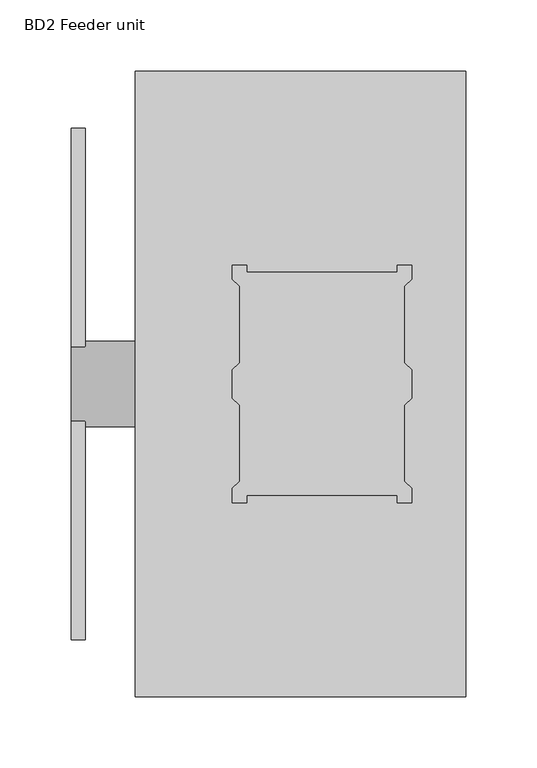
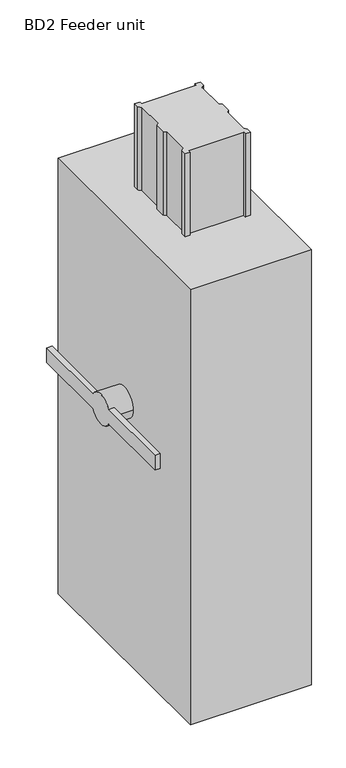
"""IFC4 building model written with IfcOpenShell, lengths in millimetres: proxy geometry, BD2 Feeder unit."""

from ifc_helpers import new_model, si_unit, frame, origin, origin_with_axes, place, context, project, spatial, polyline, circle_curve, outline, extrude, source, transform, mapped, element, save
from ifc_brep_helpers import plane_surface, cylinder_surface, advanced_brep


def bd2_feeder_unit_16d7573c(model_context):
    return source(origin(), model_context, "Body", "SolidModel", [
        advanced_brep(
        [(-277.5, -25.9807621, 539.5), (-277.5, 25.9807621, 539.5), (-277.5, 180.0, 539.5), (-277.5, 180.0, 509.5), (-277.5, 25.9807621, 509.5), (-277.5, -25.9807621, 509.5), (-277.5, -180.0, 509.5), (-277.5, -180.0, 539.5), (-232.5, -30.0, 524.5), (-232.5, 30.0, 524.5), (-267.5, 30.0, 524.5), (-267.5, 25.9807621, 539.5), (-267.5, -25.9807621, 539.5), (-267.5, -30.0, 524.5), (-267.5, -25.9807621, 509.5), (-267.5, 25.9807621, 509.5), (-267.5, 180.0, 509.5), (-267.5, 180.0, 539.5), (-267.5, -180.0, 539.5), (-267.5, -180.0, 509.5)],
        [
            (0, 1, circle_curve(frame((-277.5, 0.0, 524.5), z_axis=(-1.0, 0.0, 0.0), x_axis=(0.0, 1.0, 0.0)), 30.0)),
            (1, 2),
            (2, 3),
            (3, 4),
            (4, 5, circle_curve(frame((-277.5, 0.0, 524.5), z_axis=(-1.0, 0.0, 0.0), x_axis=(0.0, 1.0, 0.0)), 30.0)),
            (5, 6),
            (6, 7),
            (7, 0),
            (8, 9, circle_curve(frame((-232.5, 0.0, 524.5), z_axis=(1.0, 0.0, 0.0), x_axis=(0.0, 1.0, 0.0)), 30.0)),
            (9, 8, circle_curve(frame((-232.5, 0.0, 524.5), z_axis=(1.0, 0.0, 0.0), x_axis=(0.0, 1.0, 0.0)), 30.0)),
            (9, 10),
            (10, 11, circle_curve(frame((-267.5, 0.0, 524.5), z_axis=(1.0, 0.0, 0.0), x_axis=(0.0, 1.0, 0.0)), 30.0)),
            (11, 1),
            (0, 12),
            (12, 13, circle_curve(frame((-267.5, 0.0, 524.5), z_axis=(1.0, 0.0, 0.0), x_axis=(0.0, 1.0, 0.0)), 30.0)),
            (13, 8),
            (13, 14, circle_curve(frame((-267.5, 0.0, 524.5), z_axis=(1.0, 0.0, 0.0), x_axis=(0.0, 1.0, 0.0)), 30.0)),
            (14, 5),
            (4, 15),
            (15, 10, circle_curve(frame((-267.5, 0.0, 524.5), z_axis=(1.0, 0.0, 0.0), x_axis=(0.0, 1.0, 0.0)), 30.0)),
            (16, 17),
            (17, 11),
            (15, 16),
            (18, 19),
            (19, 14),
            (12, 18),
            (6, 19),
            (18, 7),
            (17, 2),
            (16, 3),
        ],
        [
            plane_surface(frame((-277.5, 30.0, 524.5), z_axis=(-1.0, 0.0, 0.0), x_axis=(0.0, 0.0, -1.0))),
            plane_surface(frame((-232.5, 30.0, 524.5), z_axis=(1.0, 0.0, 0.0), x_axis=(0.0, 0.0, 1.0))),
            cylinder_surface(frame((-232.5, 0.0, 524.5), z_axis=(-1.0, 0.0, 0.0), x_axis=(0.0, 1.0, 0.0)), 30.0),
            plane_surface(frame((-267.5, -180.0, 509.5), z_axis=(1.0, 0.0, 0.0), x_axis=(0.0, 0.0, -1.0))),
            plane_surface(frame((-277.5, -180.0, 509.5), z_axis=(0.0, -1.0, 0.0), x_axis=(1.0, 0.0, 0.0))),
            plane_surface(frame((-277.5, -180.0, 539.5), z_axis=(0.0, 0.0, 1.0), x_axis=(1.0, 0.0, 0.0))),
            plane_surface(frame((-277.5, 180.0, 539.5), z_axis=(0.0, 1.0, 0.0), x_axis=(1.0, 0.0, 0.0))),
            plane_surface(frame((-277.5, 180.0, 509.5), z_axis=(0.0, 0.0, -1.0), x_axis=(1.0, 0.0, 0.0))),
        ],
        [
            (0, [[1, 2, 3, 4, 5, 6, 7, 8]]),
            (1, [[9, 10]]),
            (2, [[-10, 11, 12, 13, -1, 14, 15, 16]]),
            (2, [[-9, -16, 17, 18, -5, 19, 20, -11]]),
            (3, [[21, 22, -12, -20, 23]]),
            (3, [[24, 25, -17, -15, 26]]),
            (4, [[-7, 27, -24, 28]]),
            (5, [[-28, -26, -14, -8]]),
            (5, [[29, -2, -13, -22]]),
            (6, [[-3, -29, -21, 30]]),
            (7, [[-27, -6, -18, -25]]),
            (7, [[-30, -23, -19, -4]]),
        ],
    ),
        extrude(outline(polyline([(-232.5, -220.0), (-232.5, 220.0), (0.0, 220.0), (0.0, -220.0), (-232.5, -220.0)])), origin_with_axes(), (0.0, 0.0, 1.0), 885.0),
        extrude(outline(polyline([(-164.0, 83.5), (-154.0, 83.5), (-154.0, 78.5), (-48.0, 78.5), (-48.0, 83.5), (-38.0, 83.5), (-38.0, 73.5), (-43.0, 68.5), (-43.0, 15.0), (-38.0, 10.0), (-38.0, -10.0), (-43.0, -15.0), (-43.0, -68.5), (-38.0, -73.5), (-38.0, -83.5), (-48.0, -83.5), (-48.0, -78.5), (-154.0, -78.5), (-154.0, -83.5), (-164.0, -83.5), (-164.0, -73.5), (-159.0, -68.5), (-159.0, -15.0), (-164.0, -10.0), (-164.0, 10.0), (-159.0, 15.0), (-159.0, 68.5), (-164.0, 73.5), (-164.0, 83.5)])), frame((0.0, 0.0, 885.0), z_axis=(0.0, 0.0, 1.0), x_axis=(1.0, 0.0, 0.0)), (0.0, 0.0, 1.0), 169.5),
    ])


if __name__ == "__main__":
    model = new_model("IFC4")
    model_context = context("Model", 3, world=origin())
    ifc_project = project(units=[si_unit("LENGTHUNIT", "METRE", prefix="MILLI")], contexts=[model_context])
    site = spatial("IfcSite", under=ifc_project)
    building = spatial("IfcBuilding", under=site)
    placement = place(None, origin())
    bd2_feeder_unit_shape = bd2_feeder_unit_16d7573c(model_context)
    element("IfcBuildingElementProxy", 1, Name="BD2 Feeder unit", ObjectType="BD2 Feeder unit", at=placement, inside=building, context=model_context, shape_type="MappedRepresentation", body=[
        mapped(bd2_feeder_unit_shape, transform((0.0, 0.0, 0.0), x_axis=(1.0, 0.0, 0.0), y_axis=(0.0, 1.0, 0.0), z_axis=(0.0, 0.0, 1.0))),
    ])
    save(model, "model.ifc")
